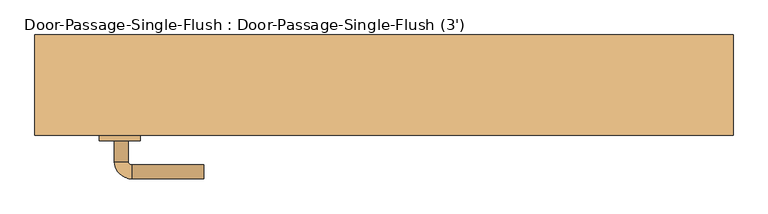
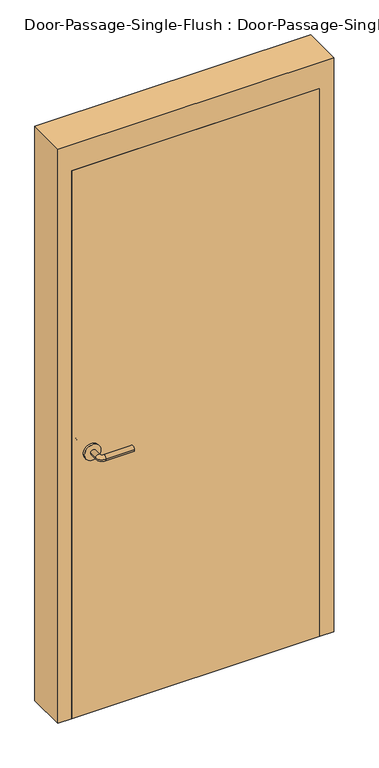
"""IFC4 building model written with IfcOpenShell, lengths in millimetres: door geometry, Door-Passage-Single-Flush : Door-Passage-Single-Flush (3')."""

from ifc_helpers import new_model, si_unit, point, frame, frame_2d, origin, origin_with_axes, place, context, project, spatial, polyline, circle_curve, ellipse_curve, trimmed, segment, composite_curve, outline, extrude, faceted_brep, source, transform, mapped, element, save
from ifc_brep_helpers import plane_surface, cylinder_surface, revolved_surface, advanced_brep


def door_passage_single_flush_door_passage_single_flush_3_733e7269(model_context):
    return source(origin(), model_context, "Body", "SolidModel", [
        advanced_brep(
        [(-392.190625, 8.0, 1016.0), (-372.190625, 8.0, 1016.0), (-392.190625, 38.0, 1016.0), (-372.190625, 38.0, 1016.0), (-367.190625, 43.0, 1016.0), (-367.190625, 63.0, 1016.0), (-262.190625, 63.0, 1016.0), (-262.190625, 43.0, 1016.0)],
        [
            (0, 1, circle_curve(frame((-382.190625, 8.0, 1016.0), z_axis=(0.0, -1.0, 0.0), x_axis=(1.0, 0.0, 0.0)), 10.0)),
            (1, 0, circle_curve(frame((-382.190625, 8.0, 1016.0), z_axis=(0.0, -1.0, 0.0), x_axis=(1.0, 0.0, 0.0)), 10.0)),
            (0, 2),
            (2, 3, circle_curve(frame((-382.190625, 38.0, 1016.0), z_axis=(0.0, -1.0, 0.0), x_axis=(1.0, 0.0, 0.0)), 10.0)),
            (3, 1),
            (3, 2, circle_curve(frame((-382.190625, 38.0, 1016.0), z_axis=(0.0, -1.0, 0.0), x_axis=(1.0, 0.0, 0.0)), 10.0)),
            (4, 3, circle_curve(frame((-367.190625, 38.0, 1016.0), z_axis=(0.0, 0.0, 1.0), x_axis=(-1.0, 0.0, 0.0)), 5.0)),
            (2, 5, circle_curve(frame((-367.190625, 38.0, 1016.0), z_axis=(0.0, 0.0, -1.0), x_axis=(-1.0, 0.0, 0.0)), 25.0)),
            (5, 4, circle_curve(frame((-367.190625, 53.0, 1016.0), z_axis=(-1.0, 0.0, 0.0), x_axis=(0.0, -1.0, 0.0)), 10.0)),
            (4, 5, circle_curve(frame((-367.190625, 53.0, 1016.0), z_axis=(-1.0, 0.0, 0.0), x_axis=(0.0, -1.0, 0.0)), 10.0)),
            (6, 7, circle_curve(frame((-262.190625, 53.0, 1016.0), z_axis=(1.0, 0.0, 0.0), x_axis=(0.0, -1.0, 0.0)), 10.0)),
            (7, 6, circle_curve(frame((-262.190625, 53.0, 1016.0), z_axis=(1.0, 0.0, 0.0), x_axis=(0.0, -1.0, 0.0)), 10.0)),
            (5, 6),
            (7, 4),
        ],
        [
            plane_surface(frame((-382.190625, 8.0, 1016.0), z_axis=(0.0, -1.0, 0.0), x_axis=(0.0, 0.0, 1.0))),
            cylinder_surface(frame((-382.190625, 8.0, 1016.0), z_axis=(0.0, -1.0, 0.0), x_axis=(1.0, 0.0, 0.0)), 10.0),
            revolved_surface(trimmed(ellipse_curve(frame((-382.190625, 38.0, 1016.0), z_axis=(0.0, -1.0, 0.0), x_axis=(1.0, 0.0, 0.0)), 10.0, 10.0), [point((-392.190625, 38.0, 1016.0))], [point((-372.190625, 38.0, 1016.0))], True, "CARTESIAN"), (-367.190625, 38.0, 1016.0), (0.0, 0.0, -1.0)),
            revolved_surface(trimmed(ellipse_curve(frame((-382.190625, 38.0, 1016.0), z_axis=(0.0, -1.0, 0.0), x_axis=(1.0, 0.0, 0.0)), 10.0, 10.0), [point((-372.190625, 38.0, 1016.0))], [point((-392.190625, 38.0, 1016.0))], True, "CARTESIAN"), (-367.190625, 38.0, 1016.0), (0.0, 0.0, -1.0)),
            plane_surface(frame((-262.190625, 53.0, 1016.0), z_axis=(1.0, 0.0, 0.0), x_axis=(0.0, 0.0, 1.0))),
            cylinder_surface(frame((-367.190625, 53.0, 1016.0), z_axis=(-1.0, 0.0, 0.0), x_axis=(0.0, -1.0, 0.0)), 10.0),
        ],
        [
            (0, [[1, 2]]),
            (1, [[-1, 3, 4, 5]]),
            (1, [[-2, -5, 6, -3]]),
            (2, [[7, -4, 8, 9]]),
            (3, [[-8, -6, -7, 10]]),
            (4, [[11, 12]]),
            (5, [[-9, 13, -12, 14]]),
            (5, [[-10, -14, -11, -13]]),
        ],
    ),
        extrude(outline(composite_curve([segment(trimmed(circle_curve(frame_2d((1016.0, -384.690625)), 30.0), [point((1016.0, -414.690625))], [point((1016.0, -354.690625))], False, "CARTESIAN"), True, "CONTINUOUS"), segment(trimmed(circle_curve(frame_2d((1016.0, -384.690625)), 30.0), [point((1016.0, -354.690625))], [point((1016.0, -414.690625))], False, "CARTESIAN"), True, "CONTINUOUS")], self_intersect=False)), frame((0.0, 0.0, 0.0), z_axis=(0.0, 1.0, 0.0), x_axis=(0.0, 0.0, 1.0)), (0.0, 0.0, 1.0), 8.0),
        advanced_brep(
        [(-392.190625, -52.45, 1016.0), (-372.190625, -52.45, 1016.0), (-372.190625, -82.45, 1016.0), (-392.190625, -82.45, 1016.0), (-367.190625, -87.45, 1016.0), (-367.190625, -107.45, 1016.0), (-262.190625, -107.45, 1016.0), (-262.190625, -87.45, 1016.0)],
        [
            (0, 1, circle_curve(frame((-382.190625, -52.45, 1016.0), z_axis=(0.0, 1.0, 0.0), x_axis=(1.0, 0.0, 0.0)), 10.0)),
            (1, 0, circle_curve(frame((-382.190625, -52.45, 1016.0), z_axis=(0.0, 1.0, 0.0), x_axis=(1.0, 0.0, 0.0)), 10.0)),
            (1, 2),
            (2, 3, circle_curve(frame((-382.190625, -82.45, 1016.0), z_axis=(0.0, 1.0, 0.0), x_axis=(1.0, 0.0, 0.0)), 10.0)),
            (3, 0),
            (3, 2, circle_curve(frame((-382.190625, -82.45, 1016.0), z_axis=(0.0, 1.0, 0.0), x_axis=(1.0, 0.0, 0.0)), 10.0)),
            (4, 5, circle_curve(frame((-367.190625, -97.45, 1016.0), z_axis=(-1.0, 0.0, 0.0), x_axis=(0.0, 1.0, 0.0)), 10.0)),
            (5, 3, circle_curve(frame((-367.190625, -82.45, 1016.0), z_axis=(0.0, 0.0, -1.0), x_axis=(-1.0, 0.0, 0.0)), 25.0)),
            (2, 4, circle_curve(frame((-367.190625, -82.45, 1016.0), z_axis=(0.0, 0.0, 1.0), x_axis=(-1.0, 0.0, 0.0)), 5.0)),
            (5, 4, circle_curve(frame((-367.190625, -97.45, 1016.0), z_axis=(-1.0, 0.0, 0.0), x_axis=(0.0, 1.0, 0.0)), 10.0)),
            (6, 7, circle_curve(frame((-262.190625, -97.45, 1016.0), z_axis=(1.0, 0.0, 0.0), x_axis=(0.0, 1.0, 0.0)), 10.0)),
            (7, 6, circle_curve(frame((-262.190625, -97.45, 1016.0), z_axis=(1.0, 0.0, 0.0), x_axis=(0.0, 1.0, 0.0)), 10.0)),
            (4, 7),
            (6, 5),
        ],
        [
            plane_surface(frame((-382.190625, -52.45, 1016.0), z_axis=(0.0, 1.0, 0.0), x_axis=(0.0, 0.0, 1.0))),
            cylinder_surface(frame((-382.190625, -52.45, 1016.0), z_axis=(0.0, 1.0, 0.0), x_axis=(1.0, 0.0, 0.0)), 10.0),
            revolved_surface(trimmed(ellipse_curve(frame((-382.190625, -82.45, 1016.0), z_axis=(0.0, -1.0, 0.0), x_axis=(1.0, 0.0, 0.0)), 10.0, 10.0), [point((-392.190625, -82.45, 1016.0))], [point((-372.190625, -82.45, 1016.0))], True, "CARTESIAN"), (-367.190625, -82.45, 1016.0), (0.0, 0.0, -1.0)),
            revolved_surface(trimmed(ellipse_curve(frame((-382.190625, -82.45, 1016.0), z_axis=(0.0, -1.0, 0.0), x_axis=(1.0, 0.0, 0.0)), 10.0, 10.0), [point((-372.190625, -82.45, 1016.0))], [point((-392.190625, -82.45, 1016.0))], True, "CARTESIAN"), (-367.190625, -82.45, 1016.0), (0.0, 0.0, -1.0)),
            plane_surface(frame((-262.190625, -97.45, 1016.0), z_axis=(1.0, 0.0, 0.0), x_axis=(0.0, 0.0, 1.0))),
            cylinder_surface(frame((-367.190625, -97.45, 1016.0), z_axis=(-1.0, 0.0, 0.0), x_axis=(0.0, 1.0, 0.0)), 10.0),
        ],
        [
            (0, [[1, 2]]),
            (1, [[3, 4, 5, -2]]),
            (1, [[-5, 6, -3, -1]]),
            (2, [[7, 8, -4, 9]]),
            (3, [[10, -9, -6, -8]]),
            (4, [[11, 12]]),
            (5, [[13, -11, 14, -7]]),
            (5, [[-14, -12, -13, -10]]),
        ],
    ),
        extrude(outline(composite_curve([segment(trimmed(circle_curve(frame_2d((1016.0, -384.690625)), 30.0), [point((1016.0, -414.690625))], [point((1016.0, -354.690625))], False, "CARTESIAN"), True, "CONTINUOUS"), segment(trimmed(circle_curve(frame_2d((1016.0, -384.690625)), 30.0), [point((1016.0, -354.690625))], [point((1016.0, -414.690625))], False, "CARTESIAN"), True, "CONTINUOUS")], self_intersect=False)), frame((0.0, -52.45, 0.0), z_axis=(0.0, 1.0, 0.0), x_axis=(0.0, 0.0, 1.0)), (0.0, 0.0, 1.0), 8.0),
        faceted_brep([(457.2, 4.7625, 0.0), (441.325, 4.7625, 0.0), (441.325, 52.3875, 0.0), (457.2, 52.3875, 0.0), (457.2, 101.6, 0.0), (508.0, 101.6, 0.0), (508.0, -44.45, 0.0), (457.2, -44.45, 0.0), (457.2, -44.45, 2133.6), (457.2, 4.7625, 2133.6), (508.0, -44.45, 2235.2), (-508.0, -44.45, 2235.2), (-508.0, -44.45, 0.0), (-457.2, -44.45, 0.0), (-457.2, -44.45, 2133.6), (508.0, 101.6, 2235.2), (457.2, 101.6, 2133.6), (-457.2, 101.6, 2133.6), (-457.2, 101.6, 0.0), (-508.0, 101.6, 0.0), (-508.0, 101.6, 2235.2), (457.2, 52.3875, 2133.6), (441.325, 52.3875, 2117.725), (-441.325, 52.3875, 2117.725), (-441.325, 52.3875, 0.0), (-457.2, 52.3875, 0.0), (-457.2, 52.3875, 2133.6), (441.325, 4.7625, 2117.725), (-457.2, 4.7625, 2133.6), (-457.2, 4.7625, 0.0), (-441.325, 4.7625, 0.0), (-441.325, 4.7625, 2117.725)], [[[0, 1, 2, 3, 4, 5, 6, 7]], [[7, 8, 9, 0]], [[6, 10, 11, 12, 13, 14, 8, 7]], [[5, 15, 10, 6]], [[4, 16, 17, 18, 19, 20, 15, 5]], [[3, 21, 16, 4]], [[2, 22, 23, 24, 25, 26, 21, 3]], [[1, 27, 22, 2]], [[0, 9, 28, 29, 30, 31, 27, 1]], [[8, 14, 28, 9]], [[16, 21, 26, 17]], [[22, 27, 31, 23]], [[12, 19, 18, 25, 24, 30, 29, 13]], [[13, 29, 28, 14]], [[11, 20, 19, 12]], [[17, 26, 25, 18]], [[23, 31, 30, 24]], [[15, 20, 11, 10]]]),
        extrude(outline(polyline([(457.2, 0.0), (457.2, -44.45), (-457.2, -44.45), (-457.2, 0.0), (457.2, 0.0)])), origin_with_axes(), (0.0, 0.0, 1.0), 2133.6),
    ])


if __name__ == "__main__":
    model = new_model("IFC4")
    model_context = context("Model", 3, world=origin())
    ifc_project = project(units=[si_unit("LENGTHUNIT", "METRE", prefix="MILLI")], contexts=[model_context])
    site = spatial("IfcSite", under=ifc_project)
    building = spatial("IfcBuilding", under=site)
    placement = place(None, origin())
    door_passage_single_flush_door_passage_single_flush_3_shape = door_passage_single_flush_door_passage_single_flush_3_733e7269(model_context)
    element("IfcDoor", 1, ObjectType="Door-Passage-Single-Flush : Door-Passage-Single-Flush (3')", at=placement, inside=building, context=model_context, shape_type="MappedRepresentation", body=[
        mapped(door_passage_single_flush_door_passage_single_flush_3_shape, transform((0.0, 0.0, 0.0), x_axis=(1.0, 0.0, 0.0), y_axis=(0.0, 1.0, 0.0), z_axis=(0.0, 0.0, 1.0))),
    ])
    save(model, "model.ifc")
